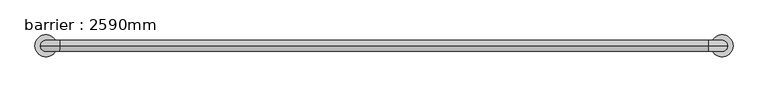
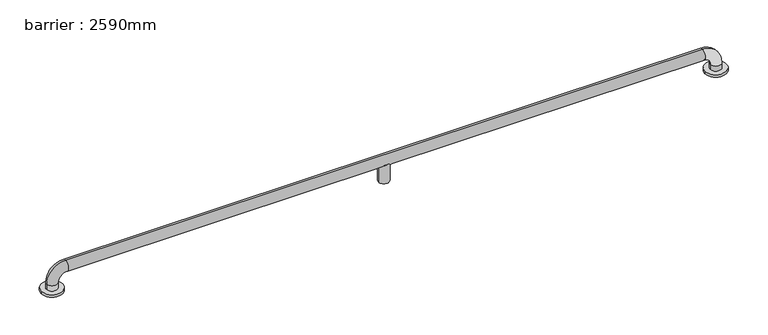
"""IFC4 building model written with IfcOpenShell, lengths in millimetres: geographic element geometry, barrier : 2590mm."""

from ifc_helpers import new_model, si_unit, point, frame, origin, place, context, project, spatial, circle_curve, ellipse_curve, trimmed, source, transform, mapped, element, save
from ifc_brep_helpers import plane_surface, cylinder_surface, revolved_surface, advanced_brep


def barrier_2590mm_7d0f1261(model_context):
    return source(origin(), model_context, "Body", "AdvancedBrep", [
        advanced_brep(
        [(-514.6890368, 0.0, 0.0), (-434.6890368, 0.0, 0.0), (1950.6700546, 0.0, 0.0), (2030.6700546, 0.0, 0.0), (-454.6890368, 0.0, 30.0), (-454.6890368, 0.0, 10.0), (-494.6890368, 0.0, 10.0), (-494.6890368, 0.0, 30.0), (-424.6890368, 0.0, 100.0), (-424.6890368, 0.0, 60.0), (1940.6700546, 0.0, 100.0), (1940.6700546, 0.0, 60.0), (777.9905089, 0.0, 60.0), (766.6842201, 18.0116458, 71.3062888), (749.2967977, 18.0116458, 71.3062888), (737.9905089, 0.0, 60.0), (749.2967977, -18.0116458, 71.3062888), (766.6842201, -18.0116458, 71.3062888), (2010.6700546, 0.0, 30.0), (1970.6700546, 0.0, 30.0), (2010.6700546, 0.0, 10.0), (1970.6700546, 0.0, 10.0), (737.9905089, 0.0, 0.0), (777.9905089, 0.0, 0.0), (-514.6890368, 0.0, 10.0), (-434.6890368, 0.0, 10.0), (1950.6700546, 0.0, 10.0), (2030.6700546, 0.0, 10.0)],
        [
            (0, 1, circle_curve(frame((-474.6890368, 0.0, 0.0), z_axis=(0.0, 0.0, -1.0), x_axis=(1.0, 0.0, 0.0)), 40.0)),
            (1, 0, circle_curve(frame((-474.6890368, 0.0, 0.0), z_axis=(0.0, 0.0, -1.0), x_axis=(1.0, 0.0, 0.0)), 40.0)),
            (2, 3, circle_curve(frame((1990.6700546, 0.0, 0.0), z_axis=(0.0, 0.0, -1.0), x_axis=(1.0, 0.0, 0.0)), 40.0)),
            (3, 2, circle_curve(frame((1990.6700546, 0.0, 0.0), z_axis=(0.0, 0.0, -1.0), x_axis=(1.0, 0.0, 0.0)), 40.0)),
            (4, 5),
            (5, 6, circle_curve(frame((-474.6890368, 0.0, 10.0), z_axis=(0.0, 0.0, 1.0), x_axis=(-1.0, 0.0, 0.0)), 20.0)),
            (6, 7),
            (7, 4, circle_curve(frame((-474.6890368, 0.0, 30.0), z_axis=(0.0, 0.0, -1.0), x_axis=(-1.0, 0.0, 0.0)), 20.0)),
            (6, 5, circle_curve(frame((-474.6890368, 0.0, 10.0), z_axis=(0.0, 0.0, 1.0), x_axis=(-1.0, 0.0, 0.0)), 20.0)),
            (4, 7, circle_curve(frame((-474.6890368, 0.0, 30.0), z_axis=(0.0, 0.0, -1.0), x_axis=(-1.0, 0.0, 0.0)), 20.0)),
            (7, 8, circle_curve(frame((-424.6890368, 0.0, 30.0), z_axis=(0.0, 1.0, 0.0), x_axis=(-1.0, 0.0, 0.0)), 70.0)),
            (8, 9, circle_curve(frame((-424.6890368, 0.0, 80.0), z_axis=(-1.0, 0.0, 0.0), x_axis=(0.0, 0.0, 1.0)), 20.0)),
            (9, 4, circle_curve(frame((-424.6890368, 0.0, 30.0), z_axis=(0.0, -1.0, 0.0), x_axis=(-1.0, 0.0, 0.0)), 30.0)),
            (9, 8, circle_curve(frame((-424.6890368, 0.0, 80.0), z_axis=(-1.0, 0.0, 0.0), x_axis=(0.0, 0.0, 1.0)), 20.0)),
            (8, 10),
            (10, 11, circle_curve(frame((1940.6700546, 0.0, 80.0), z_axis=(-1.0, 0.0, 0.0), x_axis=(0.0, 0.0, 1.0)), 20.0)),
            (11, 12),
            (12, 13, ellipse_curve(frame((757.9905089, 0.0, 80.0), z_axis=(0.7071067811865475, 0.0, 0.7071067811865475), x_axis=(-0.7071067811865476, 0.0, 0.7071067811865474)), 28.2842712, 20.0)),
            (13, 14),
            (14, 15, ellipse_curve(frame((757.9905089, 0.0, 80.0), z_axis=(-0.7071067811865475, 0.0, 0.7071067811865475), x_axis=(-0.7071067811865476, 0.0, -0.7071067811865474)), 28.2842712, 20.0)),
            (15, 9),
            (15, 16, ellipse_curve(frame((757.9905089, 0.0, 80.0), z_axis=(-0.7071067811865475, 0.0, 0.7071067811865475), x_axis=(-0.7071067811865476, 0.0, -0.7071067811865474)), 28.2842712, 20.0)),
            (16, 17),
            (17, 12, ellipse_curve(frame((757.9905089, 0.0, 80.0), z_axis=(0.7071067811865475, 0.0, 0.7071067811865475), x_axis=(-0.7071067811865476, 0.0, 0.7071067811865474)), 28.2842712, 20.0)),
            (11, 10, circle_curve(frame((1940.6700546, 0.0, 80.0), z_axis=(-1.0, 0.0, 0.0), x_axis=(0.0, 0.0, 1.0)), 20.0)),
            (10, 18, circle_curve(frame((1940.6700546, 0.0, 30.0), z_axis=(0.0, 1.0, 0.0), x_axis=(0.0, 0.0, 1.0)), 70.0)),
            (18, 19, circle_curve(frame((1990.6700546, 0.0, 30.0), z_axis=(0.0, 0.0, 1.0), x_axis=(1.0, 0.0, 0.0)), 20.0)),
            (19, 11, circle_curve(frame((1940.6700546, 0.0, 30.0), z_axis=(0.0, -1.0, 0.0), x_axis=(0.0, 0.0, 1.0)), 30.0)),
            (19, 18, circle_curve(frame((1990.6700546, 0.0, 30.0), z_axis=(0.0, 0.0, 1.0), x_axis=(1.0, 0.0, 0.0)), 20.0)),
            (18, 20),
            (20, 21, circle_curve(frame((1990.6700546, 0.0, 10.0), z_axis=(0.0, 0.0, 1.0), x_axis=(1.0, 0.0, 0.0)), 20.0)),
            (21, 19),
            (21, 20, circle_curve(frame((1990.6700546, 0.0, 10.0), z_axis=(0.0, 0.0, 1.0), x_axis=(1.0, 0.0, 0.0)), 20.0)),
            (22, 23, circle_curve(frame((757.9905089, 0.0, 0.0), z_axis=(0.0, 0.0, -1.0), x_axis=(1.0, 0.0, 0.0)), 20.0)),
            (23, 22, circle_curve(frame((757.9905089, 0.0, 0.0), z_axis=(0.0, 0.0, -1.0), x_axis=(1.0, 0.0, 0.0)), 20.0)),
            (22, 15),
            (14, 13, circle_curve(frame((757.9905089, 0.0, 71.3062888), z_axis=(0.0, 0.0, -1.0), x_axis=(1.0, 0.0, 0.0)), 20.0)),
            (12, 23),
            (17, 16, circle_curve(frame((757.9905089, 0.0, 71.3062888), z_axis=(0.0, 0.0, -1.0), x_axis=(1.0, 0.0, 0.0)), 20.0)),
            (24, 25, circle_curve(frame((-474.6890368, 0.0, 10.0), z_axis=(0.0, 0.0, 1.0), x_axis=(1.0, 0.0, 0.0)), 40.0)),
            (25, 24, circle_curve(frame((-474.6890368, 0.0, 10.0), z_axis=(0.0, 0.0, 1.0), x_axis=(1.0, 0.0, 0.0)), 40.0)),
            (26, 27, circle_curve(frame((1990.6700546, 0.0, 10.0), z_axis=(0.0, 0.0, 1.0), x_axis=(1.0, 0.0, 0.0)), 40.0)),
            (27, 26, circle_curve(frame((1990.6700546, 0.0, 10.0), z_axis=(0.0, 0.0, 1.0), x_axis=(1.0, 0.0, 0.0)), 40.0)),
            (25, 1),
            (0, 24),
            (27, 3),
            (2, 26),
        ],
        [
            plane_surface(frame((-474.6890368, 20.0, 0.0), z_axis=(0.0, 0.0, -1.0), x_axis=(1.0, 0.0, 0.0))),
            cylinder_surface(frame((-474.6890368, 0.0, 0.0), z_axis=(0.0, 0.0, -1.0), x_axis=(-1.0, 0.0, 0.0)), 20.0),
            revolved_surface(trimmed(ellipse_curve(frame((-474.6890368, 0.0, 30.0), z_axis=(0.0, 0.0, 1.0), x_axis=(-1.0, 0.0, 0.0)), 20.0, 20.0), [point((-454.6890368, 0.0, 30.0))], [point((-494.6890368, 0.0, 30.0))], True, "CARTESIAN"), (-424.6890368, 0.0, 30.0), (0.0, -1.0, 0.0)),
            revolved_surface(trimmed(ellipse_curve(frame((-474.6890368, 0.0, 30.0), z_axis=(0.0, 0.0, 1.0), x_axis=(-1.0, 0.0, 0.0)), 20.0, 20.0), [point((-494.6890368, 0.0, 30.0))], [point((-454.6890368, 0.0, 30.0))], True, "CARTESIAN"), (-424.6890368, 0.0, 30.0), (0.0, -1.0, 0.0)),
            cylinder_surface(frame((-424.6890368, 0.0, 80.0), z_axis=(-1.0, 0.0, 0.0), x_axis=(0.0, 0.0, 1.0)), 20.0),
            revolved_surface(trimmed(ellipse_curve(frame((1940.6700546, 0.0, 80.0), z_axis=(1.0, 0.0, 0.0), x_axis=(0.0, 0.0, 1.0)), 20.0, 20.0), [point((1940.6700546, 0.0, 60.0))], [point((1940.6700546, 0.0, 100.0))], True, "CARTESIAN"), (1940.6700546, 0.0, 30.0), (0.0, -1.0, 0.0)),
            revolved_surface(trimmed(ellipse_curve(frame((1940.6700546, 0.0, 80.0), z_axis=(1.0, 0.0, 0.0), x_axis=(0.0, 0.0, 1.0)), 20.0, 20.0), [point((1940.6700546, 0.0, 100.0))], [point((1940.6700546, 0.0, 60.0))], True, "CARTESIAN"), (1940.6700546, 0.0, 30.0), (0.0, -1.0, 0.0)),
            cylinder_surface(frame((1990.6700546, 0.0, 30.0), z_axis=(0.0, 0.0, 1.0), x_axis=(1.0, 0.0, 0.0)), 20.0),
            plane_surface(frame((777.9905089, 0.0, 0.0), z_axis=(0.0, 0.0, -1.0), x_axis=(0.0, 1.0, 0.0))),
            cylinder_surface(frame((757.9905089, 0.0, 0.0), z_axis=(0.0, 0.0, 1.0), x_axis=(1.0, 0.0, 0.0)), 20.0),
            plane_surface(frame((-434.6890368, 0.0, 10.0), z_axis=(0.0, 0.0, 1.0), x_axis=(0.0, -1.0, 0.0))),
            cylinder_surface(frame((-474.6890368, 0.0, 0.0), z_axis=(0.0, 0.0, 1.0), x_axis=(1.0, 0.0, 0.0)), 40.0),
            cylinder_surface(frame((1990.6700546, 0.0, 0.0), z_axis=(0.0, 0.0, 1.0), x_axis=(1.0, 0.0, 0.0)), 40.0),
            plane_surface(frame((777.9905089, 0.0, 71.3062888), z_axis=(0.0, 0.0, 1.0), x_axis=(0.0, -1.0, 0.0))),
        ],
        [
            (0, [[1, 2]]),
            (0, [[3, 4]]),
            (1, [[5, 6, 7, 8]]),
            (1, [[-7, 9, -5, 10]]),
            (2, [[11, 12, 13, -8]]),
            (3, [[-13, 14, -11, -10]]),
            (4, [[15, 16, 17, 18, 19, 20, 21, -12]]),
            (4, [[-21, 22, 23, 24, -17, 25, -15, -14]]),
            (5, [[26, 27, 28, -16]]),
            (6, [[-28, 29, -26, -25]]),
            (7, [[30, 31, 32, -27]]),
            (7, [[-32, 33, -30, -29]]),
            (8, [[34, 35]]),
            (9, [[36, -20, 37, -18, 38, -34]]),
            (9, [[-38, -24, 39, -22, -36, -35]]),
            (10, [[40, 41], [-9, -6]]),
            (10, [[42, 43], [-33, -31]]),
            (11, [[44, -1, 45, -41]]),
            (11, [[-45, -2, -44, -40]]),
            (12, [[46, -3, 47, -43]]),
            (12, [[-47, -4, -46, -42]]),
            (13, [[-19, -37]]),
            (13, [[-23, -39]]),
        ],
    ),
    ])


if __name__ == "__main__":
    model = new_model("IFC4")
    model_context = context("Model", 3, world=origin())
    ifc_project = project(units=[si_unit("LENGTHUNIT", "METRE", prefix="MILLI")], contexts=[model_context])
    site = spatial("IfcSite", under=ifc_project)
    building = spatial("IfcBuilding", under=site)
    placement = place(None, origin())
    barrier_2590mm_shape = barrier_2590mm_7d0f1261(model_context)
    element("IfcGeographicElement", 1, ObjectType="barrier : 2590mm", at=placement, inside=building, context=model_context, shape_type="MappedRepresentation", body=[
        mapped(barrier_2590mm_shape, transform((0.0, 0.0, 0.0), x_axis=(1.0, 0.0, 0.0), y_axis=(0.0, 1.0, 0.0), z_axis=(0.0, 0.0, 1.0))),
    ])
    save(model, "model.ifc")
